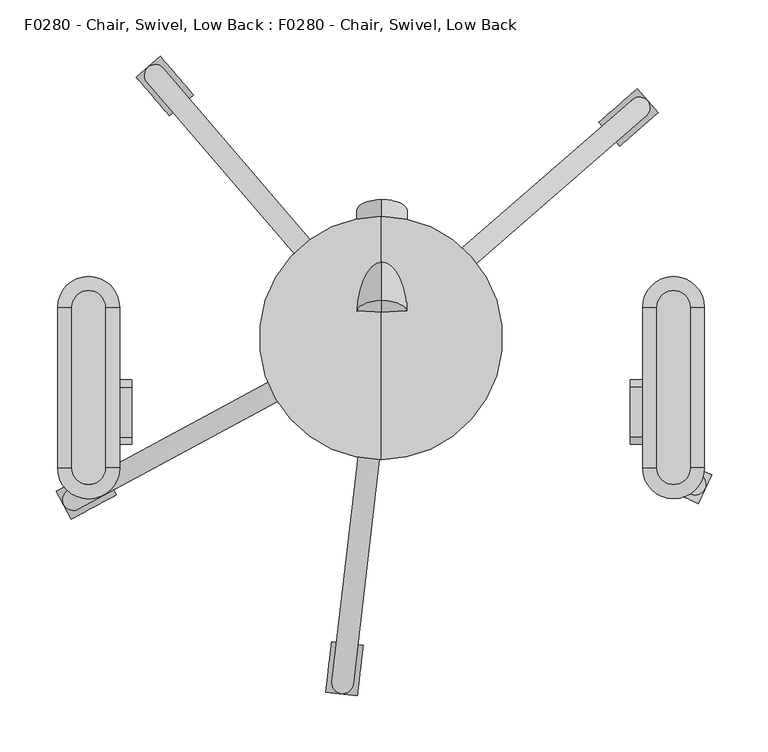
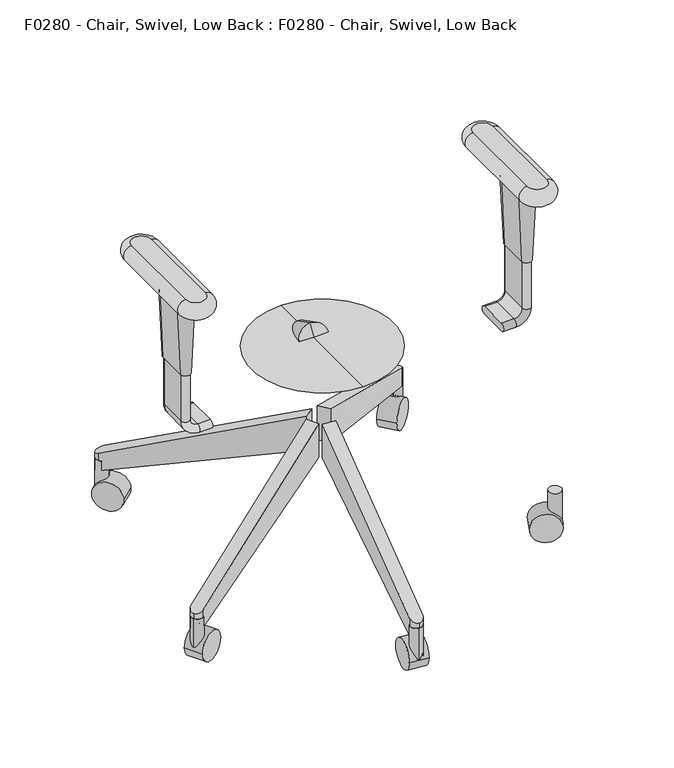
"""IFC4 building model written with IfcOpenShell, lengths in millimetres: proxy geometry, F0280 - Chair, Swivel, Low Back : F0280 - Chair, Swivel, Low Back."""

from ifc_helpers import new_model, si_unit, point, frame, frame_2d, origin, place, context, project, spatial, polyline, circle_curve, ellipse_curve, trimmed, segment, composite_curve, outline, extrude, source, transform, mapped, element, save
from ifc_brep_helpers import plane_surface, cylinder_surface, revolved_surface, advanced_brep


def f0280_chair_swivel_low_back_f0280_chair_swivel_low_back_22c7d8c1(model_context):
    return source(origin(), model_context, "Body", "SolidModel", [
        advanced_brep(
        [(-244.7915853, 27.2190125, 564.9459091), (-274.5248755, 27.2190125, 564.9459091), (-274.5248755, -115.231927, 564.9459091), (-244.7915853, -115.231927, 564.9459091), (-274.5248755, 27.2190125, 539.608165), (-244.7915853, 27.2190125, 539.608165), (-244.7915853, -115.231927, 539.608165), (-274.5248755, -115.231927, 539.608165)],
        [
            (0, 1, circle_curve(frame((-259.6582304, 27.2190125, 564.9459091), z_axis=(0.0, 0.0, 1.0), x_axis=(1.0, 0.0, 0.0)), 14.8666451)),
            (1, 2),
            (2, 3, circle_curve(frame((-259.6582304, -115.231927, 564.9459091), z_axis=(0.0, 0.0, 1.0), x_axis=(-1.0, 0.0, 0.0)), 14.8666451)),
            (3, 0),
            (4, 5, circle_curve(frame((-259.6582304, 27.2190125, 539.608165), z_axis=(0.0, 0.0, -1.0), x_axis=(1.0, 0.0, 0.0)), 14.8666451)),
            (5, 6),
            (6, 7, circle_curve(frame((-259.6582304, -115.231927, 539.608165), z_axis=(0.0, 0.0, -1.0), x_axis=(-1.0, 0.0, 0.0)), 14.8666451)),
            (7, 4),
            (4, 1, circle_curve(frame((-274.5248755, 27.2190125, 552.277037), z_axis=(0.0, 1.0, 0.0), x_axis=(1.0, 0.0, 0.0)), 12.668872)),
            (0, 5, circle_curve(frame((-244.7915853, 27.2190125, 552.277037), z_axis=(0.0, 1.0, 0.0), x_axis=(-1.0, 0.0, 0.0)), 12.668872)),
            (7, 2, circle_curve(frame((-274.5248755, -115.231927, 552.277037), z_axis=(0.0, 1.0, 0.0), x_axis=(1.0, 0.0, 0.0)), 12.668872)),
            (6, 3, circle_curve(frame((-244.7915853, -115.231927, 552.277037), z_axis=(0.0, -1.0, 0.0), x_axis=(-1.0, 0.0, 0.0)), 12.668872)),
        ],
        [
            plane_surface(frame((-232.0214447, 27.2190125, 564.9459091), z_axis=(0.0, 0.0, 1.0), x_axis=(0.0, 1.0, 0.0))),
            plane_surface(frame((-232.0214447, 27.2190125, 539.608165), z_axis=(0.0, 0.0, -1.0), x_axis=(0.0, -1.0, 0.0))),
            revolved_surface(trimmed(ellipse_curve(frame((-244.7915853, 27.2190125, 552.277037), z_axis=(0.0, -1.0, 0.0), x_axis=(-1.0, 0.0, 0.0)), 12.668872, 12.668872), [point((-244.7915853, 27.2190125, 539.608165))], [point((-244.7915853, 27.2190125, 564.9459091))], True, "CARTESIAN"), (-259.6582304, 27.2190125, 564.9459091), (0.0, 0.0, 1.0)),
            cylinder_surface(frame((-274.5248755, 27.2190125, 552.277037), z_axis=(0.0, -1.0, 0.0), x_axis=(1.0, 0.0, 0.0)), 12.668872),
            revolved_surface(trimmed(ellipse_curve(frame((-274.5248755, -115.231927, 552.277037), z_axis=(0.0, 1.0, 0.0), x_axis=(1.0, 0.0, 0.0)), 12.668872, 12.668872), [point((-274.5248755, -115.231927, 539.608165))], [point((-274.5248755, -115.231927, 564.9459091))], True, "CARTESIAN"), (-259.6582304, -115.231927, 564.9459091), (0.0, 0.0, 1.0)),
            cylinder_surface(frame((-244.7915853, -115.231927, 552.277037), z_axis=(0.0, 1.0, 0.0), x_axis=(-1.0, 0.0, 0.0)), 12.668872),
        ],
        [
            (0, [[1, 2, 3, 4]]),
            (1, [[5, 6, 7, 8]]),
            (2, [[9, -1, 10, -5]]),
            (3, [[-9, -8, 11, -2]]),
            (4, [[-11, -7, 12, -3]]),
            (5, [[-10, -4, -12, -6]]),
        ],
    ),
        advanced_brep(
        [(-272.2112726, -43.5550281, 539.608165), (-272.2112726, -88.0050281, 539.608165), (-246.8112726, -88.0050281, 539.608165), (-246.8112726, -43.5550281, 539.608165), (-267.4487726, -43.5550281, 425.6440254), (-251.5737726, -43.5550281, 425.6440254), (-251.5737726, -88.0050281, 425.6440254), (-267.4487726, -88.0050281, 425.6440254)],
        [
            (0, 1),
            (1, 2, circle_curve(frame((-259.5112726, -88.0050281, 539.608165), z_axis=(0.0, 0.0, 1.0), x_axis=(-1.0, 0.0, 0.0)), 12.7)),
            (2, 3),
            (3, 0, circle_curve(frame((-259.5112726, -43.5550281, 539.608165), z_axis=(0.0, 0.0, 1.0), x_axis=(1.0, 0.0, 0.0)), 12.7)),
            (4, 5, circle_curve(frame((-259.5112726, -43.5550281, 425.6440254), z_axis=(0.0, 0.0, -1.0), x_axis=(1.0, 0.0, 0.0)), 7.9375)),
            (5, 6),
            (6, 7, circle_curve(frame((-259.5112726, -88.0050281, 425.6440254), z_axis=(0.0, 0.0, -1.0), x_axis=(-1.0, 0.0, 0.0)), 7.9375)),
            (7, 4),
            (0, 4),
            (7, 1),
            (6, 2),
            (5, 3),
        ],
        [
            plane_surface(frame((-259.5112726, -65.7800281, 539.608165), z_axis=(0.0, 0.0, 1.0), x_axis=(0.0, -1.0, 0.0))),
            plane_surface(frame((-259.5112726, -65.7800281, 425.6440254), z_axis=(0.0, 0.0, -1.0), x_axis=(0.0, -1.0, 0.0))),
            plane_surface(frame((-267.4487726, -65.7800281, 425.6440254), z_axis=(-0.9991279624642644, 0.0, -0.04175301931606388), x_axis=(0.0, -1.0, 0.0))),
            revolved_surface(polyline([(-251.57377260104474, -88.0050281, 425.6440254), (-246.8112726, -88.0050281, 539.608165)]), (-259.5112726, -88.0050281, 235.7037928), (0.0, 0.0, 1.0)),
            plane_surface(frame((-251.5737726, -65.7800281, 425.6440254), z_axis=(0.9991279624642645, 0.0, -0.04175301931606151), x_axis=(0.0, 1.0, 0.0))),
            revolved_surface(polyline([(-267.44877259895526, -43.5550281, 425.6440254), (-272.2112726, -43.5550281, 539.608165)]), (-259.5112726, -43.5550281, 235.7037928), (0.0, 0.0, 1.0)),
        ],
        [
            (0, [[1, 2, 3, 4]]),
            (1, [[5, 6, 7, 8]]),
            (2, [[-1, 9, -8, 10]]),
            (3, [[-2, -10, -7, 11]]),
            (4, [[-3, -11, -6, 12]]),
            (5, [[-4, -12, -5, -9]]),
        ],
    ),
        advanced_brep(
        [(-221.4112726, -43.5550281, 324.0440254), (-221.4112726, -43.5550281, 336.7440254), (-221.4112726, -88.0050281, 336.7440254), (-221.4112726, -88.0050281, 324.0440254), (-240.4612726, -43.5550281, 324.0440254), (-240.4612726, -43.5550281, 336.7440254), (-240.4612726, -88.0050281, 336.7440254), (-240.4612726, -88.0050281, 324.0440254), (-253.1612726, -43.5550281, 349.4440254), (-265.8612726, -43.5550281, 349.4440254), (-253.1612726, -88.0050281, 349.4440254), (-265.8612726, -88.0050281, 349.4440254), (-265.8612726, -43.5550281, 425.6440254), (-265.8612726, -88.0050281, 425.6440254), (-253.1612726, -88.0050281, 425.6440254), (-253.1612726, -43.5550281, 425.6440254)],
        [
            (0, 1, circle_curve(frame((-221.4112726, -43.5550281, 330.3940254), z_axis=(1.0, 0.0, 0.0), x_axis=(0.0, 1.0, 0.0)), 6.35)),
            (1, 2),
            (2, 3, circle_curve(frame((-221.4112726, -88.0050281, 330.3940254), z_axis=(1.0, 0.0, 0.0), x_axis=(0.0, 1.0, 0.0)), 6.35)),
            (3, 0),
            (0, 4),
            (4, 5, circle_curve(frame((-240.4612726, -43.5550281, 330.3940254), z_axis=(1.0, 0.0, 0.0), x_axis=(0.0, 1.0, 0.0)), 6.35)),
            (5, 1),
            (5, 6),
            (6, 2),
            (6, 7, circle_curve(frame((-240.4612726, -88.0050281, 330.3940254), z_axis=(1.0, 0.0, 0.0), x_axis=(0.0, 1.0, 0.0)), 6.35)),
            (7, 3),
            (7, 4),
            (8, 5, circle_curve(frame((-240.4612726, -43.5550281, 349.4440254), z_axis=(0.0, -1.0, 0.0), x_axis=(0.0, 0.0, -1.0)), 12.7)),
            (4, 9, circle_curve(frame((-240.4612726, -43.5550281, 349.4440254), z_axis=(0.0, 1.0, 0.0), x_axis=(0.0, 0.0, -1.0)), 25.4)),
            (9, 8, circle_curve(frame((-259.5112726, -43.5550281, 349.4440254), z_axis=(0.0, 0.0, -1.0), x_axis=(0.0, 1.0, 0.0)), 6.35)),
            (10, 6, circle_curve(frame((-240.4612726, -88.0050281, 349.4440254), z_axis=(0.0, -1.0, 0.0), x_axis=(0.0, 0.0, -1.0)), 12.7)),
            (8, 10),
            (11, 7, circle_curve(frame((-240.4612726, -88.0050281, 349.4440254), z_axis=(0.0, -1.0, 0.0), x_axis=(0.0, 0.0, -1.0)), 25.4)),
            (10, 11, circle_curve(frame((-259.5112726, -88.0050281, 349.4440254), z_axis=(0.0, 0.0, -1.0), x_axis=(0.0, 1.0, 0.0)), 6.35)),
            (11, 9),
            (12, 13),
            (13, 14, circle_curve(frame((-259.5112726, -88.0050281, 425.6440254), z_axis=(0.0, 0.0, 1.0), x_axis=(0.0, 1.0, 0.0)), 6.35)),
            (14, 15),
            (15, 12, circle_curve(frame((-259.5112726, -43.5550281, 425.6440254), z_axis=(0.0, 0.0, 1.0), x_axis=(0.0, 1.0, 0.0)), 6.35)),
            (9, 12),
            (15, 8),
            (14, 10),
            (13, 11),
        ],
        [
            plane_surface(frame((-221.4112726, -69.85, 324.0440254), z_axis=(1.0, 0.0, 0.0), x_axis=(0.0, 1.0, 0.0))),
            cylinder_surface(frame((-221.4112726, -43.5550281, 330.3940254), z_axis=(1.0, 0.0, 0.0), x_axis=(0.0, 1.0, 0.0)), 6.35),
            plane_surface(frame((-221.4112726, -43.5550281, 336.7440254), z_axis=(0.0, 0.0, 1.0), x_axis=(-1.0, 0.0, 0.0))),
            cylinder_surface(frame((-221.4112726, -88.0050281, 330.3940254), z_axis=(1.0, 0.0, 0.0), x_axis=(0.0, 1.0, 0.0)), 6.35),
            plane_surface(frame((-221.4112726, -88.0050281, 324.0440254), z_axis=(0.0, 0.0, -1.0), x_axis=(-1.0, 0.0, 0.0))),
            revolved_surface(trimmed(ellipse_curve(frame((-240.4612726, -43.5550281, 330.3940254), z_axis=(1.0, 0.0, 0.0), x_axis=(0.0, 1.0, 0.0)), 6.35, 6.35), [point((-240.4612726, -43.5550281, 324.0440254))], [point((-240.4612726, -43.5550281, 336.7440254))], True, "CARTESIAN"), (-240.4612726, -69.85, 349.4440254), (0.0, 1.0, 0.0)),
            revolved_surface(polyline([(-240.4612726, -43.5550281, 336.7440254), (-240.4612726, -88.0050281, 336.7440254)]), (-240.4612726, -69.85, 349.4440254), (0.0, 1.0, 0.0)),
            revolved_surface(trimmed(ellipse_curve(frame((-240.4612726, -88.0050281, 330.3940254), z_axis=(1.0, 0.0, 0.0), x_axis=(0.0, 1.0, 0.0)), 6.35, 6.35), [point((-240.4612726, -88.0050281, 336.7440254))], [point((-240.4612726, -88.0050281, 324.0440254))], True, "CARTESIAN"), (-240.4612726, -69.85, 349.4440254), (0.0, 1.0, 0.0)),
            cylinder_surface(frame((-240.4612726, -69.85, 349.4440254), z_axis=(0.0, 1.0, 0.0), x_axis=(0.0, 0.0, -1.0)), 25.4),
            plane_surface(frame((-265.8612726, -69.85, 425.6440254), z_axis=(0.0, 0.0, 1.0), x_axis=(0.0, 1.0, 0.0))),
            cylinder_surface(frame((-259.5112726, -43.5550281, 349.4440254), z_axis=(0.0, 0.0, -1.0), x_axis=(0.0, 1.0, 0.0)), 6.35),
            plane_surface(frame((-253.1612726, -43.5550281, 349.4440254), z_axis=(1.0, 0.0, 0.0), x_axis=(0.0, 0.0, 1.0))),
            cylinder_surface(frame((-259.5112726, -88.0050281, 349.4440254), z_axis=(0.0, 0.0, -1.0), x_axis=(0.0, 1.0, 0.0)), 6.35),
            plane_surface(frame((-265.8612726, -88.0050281, 349.4440254), z_axis=(-1.0, 0.0, 0.0), x_axis=(0.0, 0.0, 1.0))),
        ],
        [
            (0, [[1, 2, 3, 4]]),
            (1, [[-1, 5, 6, 7]]),
            (2, [[-2, -7, 8, 9]]),
            (3, [[-3, -9, 10, 11]]),
            (4, [[-4, -11, 12, -5]]),
            (5, [[13, -6, 14, 15]]),
            (6, [[16, -8, -13, 17]]),
            (7, [[18, -10, -16, 19]]),
            (8, [[-14, -12, -18, 20]]),
            (9, [[21, 22, 23, 24]]),
            (10, [[-15, 25, -24, 26]]),
            (11, [[-17, -26, -23, 27]]),
            (12, [[-19, -27, -22, 28]]),
            (13, [[-20, -28, -21, -25]]),
        ],
    ),
        advanced_brep(
        [(274.4746752, 27.2190125, 564.9459091), (244.8417856, 27.2190125, 564.9459091), (244.8417856, -115.231927, 564.9459091), (274.4746752, -115.231927, 564.9459091), (244.8417856, 27.2190125, 539.608165), (274.4746752, 27.2190125, 539.608165), (274.4746752, -115.231927, 539.608165), (244.8417856, -115.231927, 539.608165)],
        [
            (0, 1, circle_curve(frame((259.6582304, 27.2190125, 564.9459091), z_axis=(0.0, 0.0, 1.0), x_axis=(1.0, 0.0, 0.0)), 14.8164448)),
            (1, 2),
            (2, 3, circle_curve(frame((259.6582304, -115.231927, 564.9459091), z_axis=(0.0, 0.0, 1.0), x_axis=(-1.0, 0.0, 0.0)), 14.8164448)),
            (3, 0),
            (4, 5, circle_curve(frame((259.6582304, 27.2190125, 539.608165), z_axis=(0.0, 0.0, -1.0), x_axis=(1.0, 0.0, 0.0)), 14.8164448)),
            (5, 6),
            (6, 7, circle_curve(frame((259.6582304, -115.231927, 539.608165), z_axis=(0.0, 0.0, -1.0), x_axis=(-1.0, 0.0, 0.0)), 14.8164448)),
            (7, 4),
            (4, 1, circle_curve(frame((244.8417856, 27.2190125, 552.277037), z_axis=(0.0, 1.0, 0.0), x_axis=(1.0, 0.0, 0.0)), 12.668872)),
            (0, 5, circle_curve(frame((274.4746752, 27.2190125, 552.277037), z_axis=(0.0, 1.0, 0.0), x_axis=(-1.0, 0.0, 0.0)), 12.668872)),
            (7, 2, circle_curve(frame((244.8417856, -115.231927, 552.277037), z_axis=(0.0, 1.0, 0.0), x_axis=(1.0, 0.0, 0.0)), 12.668872)),
            (6, 3, circle_curve(frame((274.4746752, -115.231927, 552.277037), z_axis=(0.0, -1.0, 0.0), x_axis=(-1.0, 0.0, 0.0)), 12.668872)),
        ],
        [
            plane_surface(frame((232.0214447, 21.1606364, 564.9459091), z_axis=(0.0, 0.0, 1.0), x_axis=(0.0, -1.0, 0.0))),
            plane_surface(frame((232.0214447, 21.1606364, 539.608165), z_axis=(0.0, 0.0, -1.0), x_axis=(0.0, 1.0, 0.0))),
            revolved_surface(trimmed(ellipse_curve(frame((274.4746752, 27.2190125, 552.277037), z_axis=(0.0, -1.0, 0.0), x_axis=(-1.0, 0.0, 0.0)), 12.668872, 12.668872), [point((274.4746752, 27.2190125, 539.608165))], [point((274.4746752, 27.2190125, 564.9459091))], True, "CARTESIAN"), (259.6582304, 27.2190125, 564.9459091), (0.0, 0.0, 1.0)),
            cylinder_surface(frame((244.8417856, 27.2190125, 552.277037), z_axis=(0.0, -1.0, 0.0), x_axis=(1.0, 0.0, 0.0)), 12.668872),
            revolved_surface(trimmed(ellipse_curve(frame((244.8417856, -115.231927, 552.277037), z_axis=(0.0, 1.0, 0.0), x_axis=(1.0, 0.0, 0.0)), 12.668872, 12.668872), [point((244.8417856, -115.231927, 539.608165))], [point((244.8417856, -115.231927, 564.9459091))], True, "CARTESIAN"), (259.6582304, -115.231927, 564.9459091), (0.0, 0.0, 1.0)),
            cylinder_surface(frame((274.4746752, -115.231927, 552.277037), z_axis=(0.0, 1.0, 0.0), x_axis=(-1.0, 0.0, 0.0)), 12.668872),
        ],
        [
            (0, [[1, 2, 3, 4]]),
            (1, [[5, 6, 7, 8]]),
            (2, [[9, -1, 10, -5]]),
            (3, [[-9, -8, 11, -2]]),
            (4, [[-11, -7, 12, -3]]),
            (5, [[-10, -4, -12, -6]]),
        ],
    ),
        advanced_brep(
        [(272.2112726, -43.5550281, 539.608165), (246.8112726, -43.5550281, 539.608165), (246.8112726, -88.0050281, 539.608165), (272.2112726, -88.0050281, 539.608165), (267.4487726, -43.5550281, 425.6440254), (267.4487726, -88.0050281, 425.6440254), (251.5737726, -88.0050281, 425.6440254), (251.5737726, -43.5550281, 425.6440254)],
        [
            (0, 1, circle_curve(frame((259.5112726, -43.5550281, 539.608165), z_axis=(0.0, 0.0, 1.0), x_axis=(1.0, 0.0, 0.0)), 12.7)),
            (1, 2),
            (2, 3, circle_curve(frame((259.5112726, -88.0050281, 539.608165), z_axis=(0.0, 0.0, 1.0), x_axis=(-1.0, 0.0, 0.0)), 12.7)),
            (3, 0),
            (4, 5),
            (5, 6, circle_curve(frame((259.5112726, -88.0050281, 425.6440254), z_axis=(0.0, 0.0, -1.0), x_axis=(-1.0, 0.0, 0.0)), 7.9375)),
            (6, 7),
            (7, 4, circle_curve(frame((259.5112726, -43.5550281, 425.6440254), z_axis=(0.0, 0.0, -1.0), x_axis=(1.0, 0.0, 0.0)), 7.9375)),
            (0, 4),
            (7, 1),
            (6, 2),
            (5, 3),
        ],
        [
            plane_surface(frame((259.5112726, -65.7800281, 539.608165), z_axis=(0.0, 0.0, 1.0), x_axis=(0.0, 1.0, 0.0))),
            plane_surface(frame((259.5112726, -65.7800281, 425.6440254), z_axis=(0.0, 0.0, -1.0), x_axis=(0.0, 1.0, 0.0))),
            revolved_surface(polyline([(251.57377260104474, -43.5550281, 425.6440254), (246.8112726, -43.5550281, 539.608165)]), (259.5112726, -43.5550281, 235.7037928), (0.0, 0.0, 1.0)),
            plane_surface(frame((251.5737726, -65.7800281, 425.6440254), z_axis=(-0.9991279624642644, 0.0, -0.04175301931606269), x_axis=(0.0, -1.0, 0.0))),
            revolved_surface(polyline([(267.44877259895526, -88.0050281, 425.6440254), (272.2112726, -88.0050281, 539.608165)]), (259.5112726, -88.0050281, 235.7037928), (0.0, 0.0, 1.0)),
            plane_surface(frame((267.4487726, -65.7800281, 425.6440254), z_axis=(0.9991279624642644, 0.0, -0.04175301931606269), x_axis=(0.0, 1.0, 0.0))),
        ],
        [
            (0, [[1, 2, 3, 4]]),
            (1, [[5, 6, 7, 8]]),
            (2, [[-1, 9, -8, 10]]),
            (3, [[-2, -10, -7, 11]]),
            (4, [[-3, -11, -6, 12]]),
            (5, [[-4, -12, -5, -9]]),
        ],
    ),
        advanced_brep(
        [(221.4112726, -43.5550281, 324.0440254), (221.4112726, -88.0050281, 324.0440254), (221.4112726, -88.0050281, 336.7440254), (221.4112726, -43.5550281, 336.7440254), (240.4612726, -43.5550281, 324.0440254), (240.4612726, -88.0050281, 324.0440254), (240.4612726, -88.0050281, 336.7440254), (240.4612726, -43.5550281, 336.7440254), (265.8612726, -88.0050281, 349.4440254), (265.8612726, -43.5550281, 349.4440254), (253.1612726, -88.0050281, 349.4440254), (253.1612726, -43.5550281, 349.4440254), (265.8612726, -43.5550281, 425.6440254), (253.1612726, -43.5550281, 425.6440254), (253.1612726, -88.0050281, 425.6440254), (265.8612726, -88.0050281, 425.6440254)],
        [
            (0, 1),
            (1, 2, circle_curve(frame((221.4112726, -88.0050281, 330.3940254), z_axis=(-1.0, 0.0, 0.0), x_axis=(0.0, 1.0, 0.0)), 6.35)),
            (2, 3),
            (3, 0, circle_curve(frame((221.4112726, -43.5550281, 330.3940254), z_axis=(-1.0, 0.0, 0.0), x_axis=(0.0, 1.0, 0.0)), 6.35)),
            (0, 4),
            (4, 5),
            (5, 1),
            (5, 6, circle_curve(frame((240.4612726, -88.0050281, 330.3940254), z_axis=(-1.0, 0.0, 0.0), x_axis=(0.0, 1.0, 0.0)), 6.35)),
            (6, 2),
            (6, 7),
            (7, 3),
            (7, 4, circle_curve(frame((240.4612726, -43.5550281, 330.3940254), z_axis=(-1.0, 0.0, 0.0), x_axis=(0.0, 1.0, 0.0)), 6.35)),
            (8, 5, circle_curve(frame((240.4612726, -88.0050281, 349.4440254), z_axis=(0.0, 1.0, 0.0), x_axis=(0.0, 0.0, -1.0)), 25.4)),
            (4, 9, circle_curve(frame((240.4612726, -43.5550281, 349.4440254), z_axis=(0.0, -1.0, 0.0), x_axis=(0.0, 0.0, -1.0)), 25.4)),
            (9, 8),
            (10, 6, circle_curve(frame((240.4612726, -88.0050281, 349.4440254), z_axis=(0.0, 1.0, 0.0), x_axis=(0.0, 0.0, -1.0)), 12.7)),
            (8, 10, circle_curve(frame((259.5112726, -88.0050281, 349.4440254), z_axis=(0.0, 0.0, -1.0), x_axis=(0.0, 1.0, 0.0)), 6.35)),
            (11, 7, circle_curve(frame((240.4612726, -43.5550281, 349.4440254), z_axis=(0.0, 1.0, 0.0), x_axis=(0.0, 0.0, -1.0)), 12.7)),
            (10, 11),
            (11, 9, circle_curve(frame((259.5112726, -43.5550281, 349.4440254), z_axis=(0.0, 0.0, -1.0), x_axis=(0.0, 1.0, 0.0)), 6.35)),
            (12, 13, circle_curve(frame((259.5112726, -43.5550281, 425.6440254), z_axis=(0.0, 0.0, 1.0), x_axis=(0.0, 1.0, 0.0)), 6.35)),
            (13, 14),
            (14, 15, circle_curve(frame((259.5112726, -88.0050281, 425.6440254), z_axis=(0.0, 0.0, 1.0), x_axis=(0.0, 1.0, 0.0)), 6.35)),
            (15, 12),
            (9, 12),
            (15, 8),
            (14, 10),
            (13, 11),
        ],
        [
            plane_surface(frame((221.4112726, -69.85, 324.0440254), z_axis=(-1.0, 0.0, 0.0), x_axis=(0.0, 1.0, 0.0))),
            plane_surface(frame((221.4112726, -43.5550281, 324.0440254), z_axis=(0.0, 0.0, -1.0), x_axis=(1.0, 0.0, 0.0))),
            cylinder_surface(frame((221.4112726, -88.0050281, 330.3940254), z_axis=(-1.0, 0.0, 0.0), x_axis=(0.0, 1.0, 0.0)), 6.35),
            plane_surface(frame((221.4112726, -88.0050281, 336.7440254), z_axis=(0.0, 0.0, 1.0), x_axis=(1.0, 0.0, 0.0))),
            cylinder_surface(frame((221.4112726, -43.5550281, 330.3940254), z_axis=(-1.0, 0.0, 0.0), x_axis=(0.0, 1.0, 0.0)), 6.35),
            cylinder_surface(frame((240.4612726, -69.85, 349.4440254), z_axis=(0.0, -1.0, 0.0), x_axis=(0.0, 0.0, -1.0)), 25.4),
            revolved_surface(trimmed(ellipse_curve(frame((240.4612726, -88.0050281, 330.3940254), z_axis=(-1.0, 0.0, 0.0), x_axis=(0.0, 1.0, 0.0)), 6.35, 6.35), [point((240.4612726, -88.0050281, 324.0440254))], [point((240.4612726, -88.0050281, 336.7440254))], True, "CARTESIAN"), (240.4612726, -69.85, 349.4440254), (0.0, -1.0, 0.0)),
            revolved_surface(polyline([(240.4612726, -88.0050281, 336.7440254), (240.4612726, -43.5550281, 336.7440254)]), (240.4612726, -69.85, 349.4440254), (0.0, -1.0, 0.0)),
            revolved_surface(trimmed(ellipse_curve(frame((240.4612726, -43.5550281, 330.3940254), z_axis=(-1.0, 0.0, 0.0), x_axis=(0.0, 1.0, 0.0)), 6.35, 6.35), [point((240.4612726, -43.5550281, 336.7440254))], [point((240.4612726, -43.5550281, 324.0440254))], True, "CARTESIAN"), (240.4612726, -69.85, 349.4440254), (0.0, -1.0, 0.0)),
            plane_surface(frame((265.8612726, -69.85, 425.6440254), z_axis=(0.0, 0.0, 1.0), x_axis=(0.0, 1.0, 0.0))),
            plane_surface(frame((265.8612726, -43.5550281, 349.4440254), z_axis=(1.0, 0.0, 0.0), x_axis=(0.0, 0.0, 1.0))),
            cylinder_surface(frame((259.5112726, -88.0050281, 349.4440254), z_axis=(0.0, 0.0, -1.0), x_axis=(0.0, 1.0, 0.0)), 6.35),
            plane_surface(frame((253.1612726, -88.0050281, 349.4440254), z_axis=(-1.0, 0.0, 0.0), x_axis=(0.0, 0.0, 1.0))),
            cylinder_surface(frame((259.5112726, -43.5550281, 349.4440254), z_axis=(0.0, 0.0, -1.0), x_axis=(0.0, 1.0, 0.0)), 6.35),
        ],
        [
            (0, [[1, 2, 3, 4]]),
            (1, [[-1, 5, 6, 7]]),
            (2, [[-2, -7, 8, 9]]),
            (3, [[-3, -9, 10, 11]]),
            (4, [[-4, -11, 12, -5]]),
            (5, [[13, -6, 14, 15]]),
            (6, [[16, -8, -13, 17]]),
            (7, [[18, -10, -16, 19]]),
            (8, [[-14, -12, -18, 20]]),
            (9, [[21, 22, 23, 24]]),
            (10, [[-15, 25, -24, 26]]),
            (11, [[-17, -26, -23, 27]]),
            (12, [[-19, -27, -22, 28]]),
            (13, [[-20, -28, -21, -25]]),
        ],
    ),
        advanced_brep(
        [(0.7579549, 12.6773619, 300.8203454), (0.7579549, 33.1714503, 341.0422587), (0.7579549, 21.8704355, 321.4683269), (0.7579549, 102.4414689, 255.0832484), (0.7579549, 122.9355573, 295.3051617), (0.7579549, 118.1865878, 272.3927961)],
        [
            (0, 1, circle_curve(frame((0.7579549, 22.9244061, 320.931302), z_axis=(0.0, -0.8910065241883681, 0.45399049973954636), x_axis=(0.0, 0.45399049973954636, 0.8910065241883681)), 22.5710543)),
            (1, 2),
            (2, 0),
            (1, 0, circle_curve(frame((0.7579549, 22.9244061, 320.931302), z_axis=(0.0, -0.8910065241883681, 0.45399049973954636), x_axis=(0.0, 0.45399049973954636, 0.8910065241883681)), 22.5710543)),
            (3, 4, circle_curve(frame((0.7579549, 112.6885131, 275.1942051), z_axis=(0.0, -0.8910065241883681, 0.45399049973954636), x_axis=(0.0, 0.45399049973954636, 0.8910065241883681)), 22.5710543)),
            (4, 1),
            (0, 3),
            (4, 3, circle_curve(frame((0.7579549, 112.6885131, 275.1942051), z_axis=(0.0, -0.8910065241883681, 0.45399049973954636), x_axis=(0.0, 0.45399049973954636, 0.8910065241883681)), 22.5710543)),
            (5, 4, circle_curve(frame((0.7579549, 78.6564404, 292.5344122), z_axis=(1.0, 0.0, 0.0), x_axis=(0.0, 1.0, 0.0)), 44.3657216)),
            (3, 5, circle_curve(frame((0.7579549, 78.6564404, 292.5344122), z_axis=(1.0, 0.0, 0.0), x_axis=(0.0, 0.587785252292474, -0.8090169943749469)), 44.3657216)),
        ],
        [
            revolved_surface(polyline([(0.7579549, 21.8704355, 321.4683269), (0.7579549, 33.1714503, 341.0422587)]), (0.7579549, 51.7360219, 306.2510506), (0.0, 0.8910065241883681, -0.45399049973954636)),
            cylinder_surface(frame((0.7579549, 51.7360219, 306.2510506), z_axis=(0.0, 0.8910065241883681, -0.45399049973954636), x_axis=(0.0, 0.45399049973954636, 0.8910065241883681)), 22.5710543),
            revolved_surface(trimmed(ellipse_curve(frame((0.7579549, 78.6564404, 292.5344122), z_axis=(-1.0, 0.0, 0.0), x_axis=(0.0, 1.0, 0.0)), 44.3657216, 44.3657216), [point((0.7579549, 122.9355573, 295.3051617))], [point((0.7579549, 118.1865878, 272.3927961))], True, "CARTESIAN"), (0.7579549, 51.7360219, 306.2510506), (0.0, 0.8910065241883681, -0.45399049973954636)),
        ],
        [
            (0, [[1, 2, 3]]),
            (0, [[4, -3, -2]]),
            (1, [[5, 6, -1, 7]]),
            (1, [[8, -7, -4, -6]]),
            (2, [[9, -5, 10]]),
            (2, [[-10, -8, -9]]),
        ],
    ),
        advanced_brep(
        [(0.0, 0.0, 324.0440254), (0.0, -107.95, 324.0440254), (0.0, 107.95, 324.0440254), (0.0, 12.7, 278.9664474), (0.0, -12.7, 278.9664474), (0.0, 0.0, 278.9664474)],
        [
            (0, 1),
            (1, 2, circle_curve(frame((0.0, 0.0, 324.0440254), z_axis=(0.0, 0.0, 1.0), x_axis=(0.0, -1.0, 0.0)), 107.95)),
            (2, 0),
            (2, 1, circle_curve(frame((0.0, 0.0, 324.0440254), z_axis=(0.0, 0.0, 1.0), x_axis=(0.0, -1.0, 0.0)), 107.95)),
            (3, 4, circle_curve(frame((0.0, 0.0, 278.9664474), z_axis=(0.0, 0.0, -1.0), x_axis=(0.0, -1.0, 0.0)), 12.7)),
            (4, 5),
            (5, 3),
            (4, 3, circle_curve(frame((0.0, 0.0, 278.9664474), z_axis=(0.0, 0.0, -1.0), x_axis=(0.0, -1.0, 0.0)), 12.7)),
            (1, 4),
            (3, 2),
        ],
        [
            plane_surface(frame((0.0, 0.0, 324.0440254), z_axis=(0.0, 0.0, 1.0), x_axis=(0.0, -1.0, 0.0))),
            plane_surface(frame((0.0, 0.0, 278.9664474), z_axis=(0.0, 0.0, -1.0), x_axis=(0.0, -1.0, 0.0))),
            revolved_surface(polyline([(0.0, -12.7, 278.9664474), (0.0, -107.95, 324.0440254)]), (0.0, 0.0, 278.9664474), (0.0, 0.0, 1.0)),
        ],
        [
            (0, [[1, 2, 3]]),
            (0, [[-3, 4, -1]]),
            (1, [[5, 6, 7]]),
            (1, [[8, -7, -6]]),
            (2, [[-2, 9, -5, 10]]),
            (2, [[-4, -10, -8, -9]]),
        ],
    ),
        advanced_brep(
        [(-35.2798856, -315.6318237, 73.9191719), (-24.8402492, -307.735782, 73.9191719), (-33.0987126, -296.8169749, 73.9191719), (-43.6580109, -306.0440949, 73.9191719), (-35.2798856, -315.6318237, 24.010186), (-43.6580109, -306.0440949, 24.010186), (-33.0987126, -296.8169749, 24.010186), (-24.8402492, -307.735782, 24.010186)],
        [
            (0, 1, circle_curve(frame((-34.1892991, -306.2243993, 73.9191719), z_axis=(0.0, 0.0, 1.0), x_axis=(0.1151570430509366, 0.9933472984992534, 0.0)), 9.4704283)),
            (1, 2, circle_curve(frame((-34.1892991, -306.2243993, 73.9191719), z_axis=(0.0, 0.0, 1.0), x_axis=(0.1151570430509366, 0.9933472984992534, 0.0)), 9.4704283)),
            (2, 3, circle_curve(frame((-34.1892991, -306.2243993, 73.9191719), z_axis=(0.0, 0.0, 1.0), x_axis=(0.1151570430509366, 0.9933472984992534, 0.0)), 9.4704283)),
            (3, 0, circle_curve(frame((-34.1892991, -306.2243993, 73.9191719), z_axis=(0.0, 0.0, 1.0), x_axis=(0.1151570430509366, 0.9933472984992534, 0.0)), 9.4704283)),
            (4, 5, circle_curve(frame((-34.1892991, -306.2243993, 24.010186), z_axis=(0.0, 0.0, -1.0), x_axis=(0.1151570430509366, 0.9933472984992534, 0.0)), 9.4704283)),
            (5, 6, circle_curve(frame((-34.1892991, -306.2243993, 24.010186), z_axis=(0.0, 0.0, -1.0), x_axis=(0.1151570430509366, 0.9933472984992534, 0.0)), 9.4704283)),
            (6, 7, circle_curve(frame((-34.1892991, -306.2243993, 24.010186), z_axis=(0.0, 0.0, -1.0), x_axis=(0.1151570430509366, 0.9933472984992534, 0.0)), 9.4704283)),
            (7, 4, circle_curve(frame((-34.1892991, -306.2243993, 24.010186), z_axis=(0.0, 0.0, -1.0), x_axis=(0.1151570430509366, 0.9933472984992534, 0.0)), 9.4704283)),
            (0, 4),
            (6, 2),
        ],
        [
            plane_surface(frame((-33.0987126, -296.8169749, 73.9191719), z_axis=(0.0, 0.0, 1.0000000000000002), x_axis=(-0.9933472984992534, 0.1151570430509366, 0.0))),
            plane_surface(frame((-33.0987126, -296.8169749, 24.010186), z_axis=(0.0, 0.0, -1.0000000000000002), x_axis=(0.9933472984992534, -0.1151570430509366, 0.0))),
            cylinder_surface(frame((-34.1892991, -306.2243993, 24.010186), z_axis=(0.0, 0.0, 1.0000000000000002), x_axis=(0.1151570430509366, 0.9933472984992534, 0.0)), 9.4704283),
        ],
        [
            (0, [[1, 2, 3, 4]]),
            (1, [[5, 6, 7, 8]]),
            (2, [[9, -8, -7, 10, -2, -1]]),
            (2, [[-9, -4, -3, -10, -6, -5]]),
        ],
    ),
        advanced_brep(
        [(-10.2230636, -17.6334713, 158.3164474), (-10.2230636, -17.6334713, 212.7487443), (8.5386668, -19.8084865, 212.7487443), (8.5386668, -19.8084865, 158.3164474), (-24.8402492, -307.735782, 57.8258095), (-35.2798856, -315.6318237, 54.689734), (-43.6580109, -306.0440949, 57.6571213), (-24.8402492, -307.735782, 86.2220806), (-43.6580109, -306.0440949, 86.0096871), (-35.2798856, -315.6318237, 82.2734822)],
        [
            (0, 1),
            (1, 2),
            (2, 3),
            (3, 0),
            (3, 4),
            (4, 5, ellipse_curve(frame((-34.1892991, -306.2243993, 57.9730562), z_axis=(0.03772137343102609, 0.3253854336709328, -0.9448287768380345), x_axis=(-0.1088036881301013, -0.9385431130164155, -0.3275646233321655)), 10.0234334, 9.4704283)),
            (5, 6, ellipse_curve(frame((-34.1892991, -306.2243993, 57.9730562), z_axis=(0.03772137343102609, 0.3253854336709328, -0.9448287768380345), x_axis=(-0.1088036881301013, -0.9385431130164155, -0.3275646233321655)), 10.0234334, 9.4704283)),
            (6, 0),
            (2, 7),
            (7, 4),
            (1, 8),
            (8, 9, ellipse_curve(frame((-34.1892991, -306.2243993, 86.4074773), z_axis=(-0.046069943732865715, -0.3974003928601444, 0.9164881276039825), x_axis=(-0.10554006276616408, -0.910391005662055, -0.400061885163966)), 10.333389, 9.4704283)),
            (9, 7, ellipse_curve(frame((-34.1892991, -306.2243993, 86.4074773), z_axis=(-0.046069943732865715, -0.3974003928601444, 0.9164881276039825), x_axis=(-0.10554006276616408, -0.910391005662055, -0.400061885163966)), 10.333389, 9.4704283)),
            (6, 8),
            (5, 9),
        ],
        [
            plane_surface(frame((-0.8421984, -18.7209789, 185.5325958), z_axis=(0.11515704305094802, 0.9933472984992521, 0.0), x_axis=(0.0, 0.0, 1.0))),
            plane_surface(frame((-0.8421984, -18.7209789, 158.3164474), z_axis=(0.03772137343102609, 0.3253854336709328, -0.9448287768380345), x_axis=(0.9933472984992534, -0.1151570430509366, 0.0))),
            plane_surface(frame((8.5386668, -19.8084865, 185.5325958), z_axis=(0.9933472984992534, -0.11515704305093587, 0.0), x_axis=(0.0, 0.0, 1.0))),
            plane_surface(frame((-0.8421984, -18.7209789, 212.7487443), z_axis=(-0.046069943732865715, -0.3974003928601444, 0.9164881276039825), x_axis=(-0.9933472984992534, 0.1151570430509366, 0.0))),
            plane_surface(frame((-10.2230636, -17.6334713, 185.5325958), z_axis=(-0.9933472984992533, 0.11515704305093748, 0.0), x_axis=(0.0, 0.0, -1.0))),
            cylinder_surface(frame((-34.1892991, -306.2243993, 0.0), z_axis=(0.0, 0.0, -1.0000000000000002), x_axis=(0.1151570430509366, 0.9933472984992534, 0.0)), 9.4704283),
        ],
        [
            (0, [[1, 2, 3, 4]]),
            (1, [[-4, 5, 6, 7, 8]]),
            (2, [[-3, 9, 10, -5]]),
            (3, [[-2, 11, 12, 13, -9]]),
            (4, [[-1, -8, 14, -11]]),
            (5, [[15, -12, -14, -7]]),
            (5, [[-15, -6, -10, -13]]),
        ],
    ),
        extrude(outline(composite_curve([segment(trimmed(circle_curve(frame_2d((0.0, -22.5683941)), 22.5683942), [point((0.0, -45.1367884))], [point((0.0, 0.0))], False, "CARTESIAN"), True, "CONTINUOUS"), segment(trimmed(circle_curve(frame_2d((0.0, -22.5683941)), 22.5683942), [point((0.0, 0.0))], [point((0.0, -45.1367884))], False, "CARTESIAN"), True, "CONTINUOUS")], self_intersect=False)), frame((-235.2623876, -139.2887519, 22.3266274), z_axis=(-0.475429476302697, 0.8797538366284875, 0.0), x_axis=(0.0, 0.0, 1.0)), (0.0, 0.0, 1.0), 28.170451),
        extrude(outline(composite_curve([segment(trimmed(circle_curve(frame_2d((0.0, -22.5683942)), 22.5683942), [point((0.0, -45.1367883))], [point((0.0, 0.0))], False, "CARTESIAN"), True, "CONTINUOUS"), segment(trimmed(circle_curve(frame_2d((0.0, -22.5683942)), 22.5683942), [point((0.0, 0.0))], [point((0.0, -45.1367883))], False, "CARTESIAN"), True, "CONTINUOUS")], self_intersect=False)), frame((-15.9266679, -272.6485115, 22.3266274), z_axis=(-0.9933472984992534, 0.1151570430509366, 0.0), x_axis=(0.0, 0.0, 1.0)), (0.0, 0.0, 1.0), 28.170451),
        advanced_brep(
        [(-281.5728053, -148.089739, 73.9191719), (-269.1168171, -152.1124051, 73.9191719), (-264.909514, -139.0846975, 73.9191719), (-278.5244929, -135.7274853, 73.9191719), (-281.5728053, -148.089739, 24.010186), (-278.5244929, -135.7274853, 24.010186), (-264.909514, -139.0846975, 24.010186), (-269.1168171, -152.1124051, 24.010186)],
        [
            (0, 1, circle_curve(frame((-273.2411596, -143.5872182, 73.9191719), z_axis=(0.0, 0.0, 1.0), x_axis=(0.8797538366284874, 0.475429476302697, 0.0)), 9.4704283)),
            (1, 2, circle_curve(frame((-273.2411596, -143.5872182, 73.9191719), z_axis=(0.0, 0.0, 1.0), x_axis=(0.8797538366284874, 0.475429476302697, 0.0)), 9.4704283)),
            (2, 3, circle_curve(frame((-273.2411596, -143.5872182, 73.9191719), z_axis=(0.0, 0.0, 1.0), x_axis=(0.8797538366284874, 0.475429476302697, 0.0)), 9.4704283)),
            (3, 0, circle_curve(frame((-273.2411596, -143.5872182, 73.9191719), z_axis=(0.0, 0.0, 1.0), x_axis=(0.8797538366284874, 0.475429476302697, 0.0)), 9.4704283)),
            (4, 5, circle_curve(frame((-273.2411596, -143.5872182, 24.010186), z_axis=(0.0, 0.0, -1.0), x_axis=(0.8797538366284874, 0.475429476302697, 0.0)), 9.4704283)),
            (5, 6, circle_curve(frame((-273.2411596, -143.5872182, 24.010186), z_axis=(0.0, 0.0, -1.0), x_axis=(0.8797538366284874, 0.475429476302697, 0.0)), 9.4704283)),
            (6, 7, circle_curve(frame((-273.2411596, -143.5872182, 24.010186), z_axis=(0.0, 0.0, -1.0), x_axis=(0.8797538366284874, 0.475429476302697, 0.0)), 9.4704283)),
            (7, 4, circle_curve(frame((-273.2411596, -143.5872182, 24.010186), z_axis=(0.0, 0.0, -1.0), x_axis=(0.8797538366284874, 0.475429476302697, 0.0)), 9.4704283)),
            (0, 4),
            (6, 2),
        ],
        [
            plane_surface(frame((-264.909514, -139.0846975, 73.9191719), z_axis=(0.0, 0.0, 1.0), x_axis=(-0.475429476302697, 0.8797538366284874, 0.0))),
            plane_surface(frame((-264.909514, -139.0846975, 24.010186), z_axis=(0.0, 0.0, -1.0), x_axis=(0.475429476302697, -0.8797538366284874, 0.0))),
            cylinder_surface(frame((-273.2411596, -143.5872182, 24.010186), z_axis=(0.0, 0.0, 1.0), x_axis=(0.8797538366284874, 0.475429476302697, 0.0)), 9.4704283),
        ],
        [
            (0, [[1, 2, 3, 4]]),
            (1, [[5, 6, 7, 8]]),
            (2, [[9, -8, -7, 10, -2, -1]]),
            (2, [[-9, -4, -3, -10, -6, -5]]),
        ],
    ),
        advanced_brep(
        [(-23.0948431, 2.3097469, 158.3164474), (-23.0948431, 2.3097469, 212.7487443), (-14.1152247, -14.3065003, 212.7487443), (-14.1152247, -14.3065003, 158.3164474), (-269.1168171, -152.1124051, 57.8258095), (-281.5728053, -148.089739, 54.689734), (-278.5244929, -135.7274853, 57.6571213), (-269.1168171, -152.1124051, 86.2220806), (-278.5244929, -135.7274853, 86.0096871), (-281.5728053, -148.089739, 82.2734822)],
        [
            (0, 1),
            (1, 2),
            (2, 3),
            (3, 0),
            (3, 4),
            (4, 5, ellipse_curve(frame((-273.2411596, -143.5872182, 57.9730562), z_axis=(0.28817623412023846, 0.15573387732610194, -0.9448287768380345), x_axis=(-0.8312167413802618, -0.44919945056782457, -0.32756462333216557)), 10.0234334, 9.4704283)),
            (5, 6, ellipse_curve(frame((-273.2411596, -143.5872182, 57.9730562), z_axis=(0.28817623412023846, 0.15573387732610194, -0.9448287768380345), x_axis=(-0.8312167413802618, -0.44919945056782457, -0.32756462333216557)), 10.0234334, 9.4704283)),
            (6, 0),
            (2, 7),
            (7, 4),
            (1, 8),
            (8, 9, ellipse_curve(frame((-273.2411596, -143.5872182, 86.4074773), z_axis=(-0.35195597836182463, -0.19020121255217418, 0.9164881276039823), x_axis=(-0.8062839464840623, -0.43572547054440075, -0.40006188516396635)), 10.333389, 9.4704283)),
            (9, 7, ellipse_curve(frame((-273.2411596, -143.5872182, 86.4074773), z_axis=(-0.35195597836182463, -0.19020121255217418, 0.9164881276039823), x_axis=(-0.8062839464840623, -0.43572547054440075, -0.40006188516396635)), 10.333389, 9.4704283)),
            (6, 8),
            (5, 9),
        ],
        [
            plane_surface(frame((-18.6050339, -5.9983767, 185.5325958), z_axis=(0.8797538366284872, 0.4754294763026976, 0.0), x_axis=(0.0, 0.0, 1.0))),
            plane_surface(frame((-18.6050339, -5.9983767, 158.3164474), z_axis=(0.28817623412023846, 0.15573387732610194, -0.9448287768380345), x_axis=(0.475429476302697, -0.8797538366284874, 0.0))),
            plane_surface(frame((-14.1152247, -14.3065003, 185.5325958), z_axis=(0.475429476302697, -0.8797538366284875, 0.0), x_axis=(0.0, 0.0, 1.0))),
            plane_surface(frame((-18.6050339, -5.9983767, 212.7487443), z_axis=(-0.35195597836182463, -0.19020121255217418, 0.9164881276039823), x_axis=(-0.475429476302697, 0.8797538366284874, 0.0))),
            plane_surface(frame((-23.0948431, 2.3097469, 185.5325958), z_axis=(-0.4754294763026961, 0.8797538366284879, 0.0), x_axis=(0.0, 0.0, -1.0))),
            cylinder_surface(frame((-273.2411596, -143.5872182, 0.0), z_axis=(0.0, 0.0, -1.0), x_axis=(0.8797538366284874, 0.475429476302697, 0.0)), 9.4704283),
        ],
        [
            (0, [[1, 2, 3, 4]]),
            (1, [[-4, 5, 6, 7, 8]]),
            (2, [[-3, 9, 10, -5]]),
            (3, [[-2, 11, 12, 13, -9]]),
            (4, [[-1, -8, 14, -11]]),
            (5, [[15, -12, -14, -7]]),
            (5, [[-15, -6, -10, -13]]),
        ],
    ),
        extrude(outline(composite_curve([segment(trimmed(circle_curve(frame_2d((0.0, -22.5683941)), 22.5683942), [point((0.0, -45.1367883))], [point((0.0, 0.0))], False, "CARTESIAN"), True, "CONTINUOUS"), segment(trimmed(circle_curve(frame_2d((0.0, -22.5683941)), 22.5683942), [point((0.0, 0.0))], [point((0.0, -45.1367883))], False, "CARTESIAN"), True, "CONTINUOUS")], self_intersect=False)), frame((-188.0389342, 197.5208075, 22.3266274), z_axis=(0.7591272317932002, 0.6509422754361504, 0.0), x_axis=(0.0, 0.0, 1.0)), (0.0, 0.0, 1.0), 28.170451),
        advanced_brep(
        [(-206.7344855, 240.6707437, 73.9191719), (-208.3188762, 228.0371681, 73.9191719), (-194.4050812, 226.2922237, 73.9191719), (-193.6642242, 239.9623991, 73.9191719), (-206.7344855, 240.6707437, 24.010186), (-193.6642242, 239.9623991, 24.010186), (-194.4050812, 226.2922237, 24.010186), (-208.3188762, 228.0371681, 24.010186)],
        [
            (0, 1, circle_curve(frame((-200.5697833, 233.4814837, 73.9191719), z_axis=(0.0, 0.0, 1.0), x_axis=(0.6509422754361504, -0.7591272317932001, 0.0)), 9.4704283)),
            (1, 2, circle_curve(frame((-200.5697833, 233.4814837, 73.9191719), z_axis=(0.0, 0.0, 1.0), x_axis=(0.6509422754361504, -0.7591272317932001, 0.0)), 9.4704283)),
            (2, 3, circle_curve(frame((-200.5697833, 233.4814837, 73.9191719), z_axis=(0.0, 0.0, 1.0), x_axis=(0.6509422754361504, -0.7591272317932001, 0.0)), 9.4704283)),
            (3, 0, circle_curve(frame((-200.5697833, 233.4814837, 73.9191719), z_axis=(0.0, 0.0, 1.0), x_axis=(0.6509422754361504, -0.7591272317932001, 0.0)), 9.4704283)),
            (4, 5, circle_curve(frame((-200.5697833, 233.4814837, 24.010186), z_axis=(0.0, 0.0, -1.0), x_axis=(0.6509422754361504, -0.7591272317932001, 0.0)), 9.4704283)),
            (5, 6, circle_curve(frame((-200.5697833, 233.4814837, 24.010186), z_axis=(0.0, 0.0, -1.0), x_axis=(0.6509422754361504, -0.7591272317932001, 0.0)), 9.4704283)),
            (6, 7, circle_curve(frame((-200.5697833, 233.4814837, 24.010186), z_axis=(0.0, 0.0, -1.0), x_axis=(0.6509422754361504, -0.7591272317932001, 0.0)), 9.4704283)),
            (7, 4, circle_curve(frame((-200.5697833, 233.4814837, 24.010186), z_axis=(0.0, 0.0, -1.0), x_axis=(0.6509422754361504, -0.7591272317932001, 0.0)), 9.4704283)),
            (0, 4),
            (6, 2),
        ],
        [
            plane_surface(frame((-194.4050812, 226.2922237, 73.9191719), z_axis=(0.0, 0.0, 1.0), x_axis=(0.7591272317932001, 0.6509422754361504, 0.0))),
            plane_surface(frame((-194.4050812, 226.2922237, 24.010186), z_axis=(0.0, 0.0, -1.0), x_axis=(-0.7591272317932001, -0.6509422754361504, 0.0))),
            cylinder_surface(frame((-200.5697833, 233.4814837, 24.010186), z_axis=(0.0, 0.0, 1.0), x_axis=(0.6509422754361504, -0.7591272317932001, 0.0)), 9.4704283),
        ],
        [
            (0, [[1, 2, 3, 4]]),
            (1, [[5, 6, 7, 8]]),
            (2, [[9, -8, -7, 10, -2, -1]]),
            (2, [[-9, -4, -3, -10, -6, -5]]),
        ],
    ),
        advanced_brep(
        [(-19.3228747, 7.6305102, 158.3164474), (-4.9849483, 19.9251059, 158.3164474), (-4.9849483, 19.9251059, 212.7487443), (-19.3228747, 7.6305102, 212.7487443), (-208.3188762, 228.0371681, 86.0096871), (-208.3188762, 228.0371681, 57.6571213), (-193.6642242, 239.9623991, 86.2220806), (-206.7344855, 240.6707437, 82.2734822), (-193.6642242, 239.9623991, 57.8258095), (-206.7344855, 240.6707437, 54.689734)],
        [
            (0, 1),
            (1, 2),
            (2, 3),
            (3, 0),
            (3, 4),
            (4, 5),
            (5, 0),
            (2, 6),
            (6, 7, ellipse_curve(frame((-200.5697833, 233.4814837, 86.4074773), z_axis=(-0.26041719384390805, 0.30369787143049076, 0.9164881276039823), x_axis=(-0.5965808671927533, 0.6957310952793443, -0.40006188516396635)), 10.333389, 9.4704283)),
            (7, 4, ellipse_curve(frame((-200.5697833, 233.4814837, 86.4074773), z_axis=(-0.26041719384390805, 0.30369787143049076, 0.9164881276039823), x_axis=(-0.5965808671927533, 0.6957310952793443, -0.40006188516396635)), 10.333389, 9.4704283)),
            (1, 8),
            (8, 6),
            (5, 9, ellipse_curve(frame((-200.5697833, 233.4814837, 57.9730562), z_axis=(0.21322566126422557, -0.2486632257435294, -0.9448287768380346), x_axis=(-0.6150289938925049, 0.7172452538796125, -0.32756462333216513)), 10.0234334, 9.4704283)),
            (9, 8, ellipse_curve(frame((-200.5697833, 233.4814837, 57.9730562), z_axis=(0.21322566126422557, -0.2486632257435294, -0.9448287768380346), x_axis=(-0.6150289938925049, 0.7172452538796125, -0.32756462333216513)), 10.0234334, 9.4704283)),
            (9, 7),
        ],
        [
            plane_surface(frame((-12.1539115, 13.777808, 185.5325958), z_axis=(0.6509422754361504, -0.7591272317932001, 0.0), x_axis=(0.7591272317932001, 0.6509422754361504, 0.0))),
            plane_surface(frame((-19.3228747, 7.6305102, 185.5325958), z_axis=(-0.7591272317932003, -0.6509422754361502, 0.0), x_axis=(0.0, 0.0, 1.0))),
            plane_surface(frame((-12.1539115, 13.777808, 212.7487443), z_axis=(-0.26041719384390805, 0.30369787143049076, 0.9164881276039823), x_axis=(0.7591272317932001, 0.6509422754361504, 0.0))),
            plane_surface(frame((-4.9849483, 19.9251059, 185.5325958), z_axis=(0.7591272317932007, 0.6509422754361497, 0.0), x_axis=(0.0, 0.0, -1.0))),
            plane_surface(frame((-12.1539115, 13.777808, 158.3164474), z_axis=(0.21322566126422557, -0.2486632257435294, -0.9448287768380346), x_axis=(-0.7591272317932001, -0.6509422754361504, 0.0))),
            cylinder_surface(frame((-200.5697833, 233.4814837, 0.0), z_axis=(0.0, 0.0, -1.0), x_axis=(0.6509422754361504, -0.7591272317932001, 0.0)), 9.4704283),
        ],
        [
            (0, [[1, 2, 3, 4]]),
            (1, [[-4, 5, 6, 7]]),
            (2, [[-3, 8, 9, 10, -5]]),
            (3, [[-2, 11, 12, -8]]),
            (4, [[-1, -7, 13, 14, -11]]),
            (5, [[15, -9, -12, -14]]),
            (5, [[-15, -13, -6, -10]]),
        ],
    ),
        extrude(outline(composite_curve([segment(trimmed(circle_curve(frame_2d((0.0, -22.5683942)), 22.5683942), [point((0.0, -45.1367883))], [point((0.0, 0.0))], False, "CARTESIAN"), True, "CONTINUOUS"), segment(trimmed(circle_curve(frame_2d((0.0, -22.5683942)), 22.5683942), [point((0.0, 0.0))], [point((0.0, -45.1367883))], False, "CARTESIAN"), True, "CONTINUOUS")], self_intersect=False)), frame((211.8689731, 170.4952732, 22.3266274), z_axis=(-0.6560590289904926, 0.7547095802227848, 0.0), x_axis=(0.0, 0.0, -1.0)), (0.0, 0.0, 1.0), 28.170451),
        advanced_brep(
        [(236.4100645, 210.742596, 73.9191719), (223.7660673, 212.2415488, 73.9191719), (222.1152186, 198.316276, 73.9191719), (235.7900898, 197.667845, 73.9191719), (236.4100645, 210.742596, 24.010186), (235.7900898, 197.667845, 24.010186), (222.1152186, 198.316276, 24.010186), (223.7660673, 212.2415488, 24.010186)],
        [
            (0, 1, circle_curve(frame((229.2626415, 204.529436, 73.9191719), z_axis=(0.0, 0.0, 1.0), x_axis=(-0.7547095802227848, -0.6560590289904926, 0.0)), 9.4704283)),
            (1, 2, circle_curve(frame((229.2626415, 204.529436, 73.9191719), z_axis=(0.0, 0.0, 1.0), x_axis=(-0.7547095802227848, -0.6560590289904926, 0.0)), 9.4704283)),
            (2, 3, circle_curve(frame((229.2626415, 204.529436, 73.9191719), z_axis=(0.0, 0.0, 1.0), x_axis=(-0.7547095802227848, -0.6560590289904926, 0.0)), 9.4704283)),
            (3, 0, circle_curve(frame((229.2626415, 204.529436, 73.9191719), z_axis=(0.0, 0.0, 1.0), x_axis=(-0.7547095802227848, -0.6560590289904926, 0.0)), 9.4704283)),
            (4, 5, circle_curve(frame((229.2626415, 204.529436, 24.010186), z_axis=(0.0, 0.0, -1.0), x_axis=(-0.7547095802227848, -0.6560590289904926, 0.0)), 9.4704283)),
            (5, 6, circle_curve(frame((229.2626415, 204.529436, 24.010186), z_axis=(0.0, 0.0, -1.0), x_axis=(-0.7547095802227848, -0.6560590289904926, 0.0)), 9.4704283)),
            (6, 7, circle_curve(frame((229.2626415, 204.529436, 24.010186), z_axis=(0.0, 0.0, -1.0), x_axis=(-0.7547095802227848, -0.6560590289904926, 0.0)), 9.4704283)),
            (7, 4, circle_curve(frame((229.2626415, 204.529436, 24.010186), z_axis=(0.0, 0.0, -1.0), x_axis=(-0.7547095802227848, -0.6560590289904926, 0.0)), 9.4704283)),
            (0, 4),
            (6, 2),
        ],
        [
            plane_surface(frame((222.1152186, 198.316276, 73.9191719), z_axis=(0.0, 0.0, 1.0), x_axis=(0.6560590289904926, -0.7547095802227848, 0.0))),
            plane_surface(frame((222.1152186, 198.316276, 24.010186), z_axis=(0.0, 0.0, -1.0), x_axis=(-0.6560590289904926, 0.7547095802227848, 0.0))),
            cylinder_surface(frame((229.2626415, 204.529436, 24.010186), z_axis=(0.0, 0.0, 1.0), x_axis=(-0.7547095802227848, -0.6560590289904926, 0.0)), 9.4704283),
        ],
        [
            (0, [[1, 2, 3, 4]]),
            (1, [[5, 6, 7, 8]]),
            (2, [[9, -8, -7, 10, -2, -1]]),
            (2, [[-9, -4, -3, -10, -6, -5]]),
        ],
    ),
        advanced_brep(
        [(4.6420399, 21.7599379, 158.3164474), (17.0332777, 7.5054494, 158.3164474), (17.0332777, 7.5054494, 212.7487443), (4.6420399, 21.7599379, 212.7487443), (223.7660673, 212.2415488, 86.0096871), (223.7660673, 212.2415488, 57.6571213), (235.7900898, 197.667845, 86.2220806), (236.4100645, 210.742596, 82.2734822), (235.7900898, 197.667845, 57.8258095), (236.4100645, 210.742596, 54.689734)],
        [
            (0, 1),
            (1, 2),
            (2, 3),
            (3, 0),
            (3, 4),
            (4, 5),
            (5, 0),
            (2, 6),
            (6, 7, ellipse_curve(frame((229.2626415, 204.529436, 86.4074773), z_axis=(0.3019305374152332, 0.2624642119167779, 0.9164881276039821), x_axis=(0.6916823700631672, 0.6012703110771831, -0.40006188516396696)), 10.333389, 9.4704283)),
            (7, 4, ellipse_curve(frame((229.2626415, 204.529436, 86.4074773), z_axis=(0.3019305374152332, 0.2624642119167779, 0.9164881276039821), x_axis=(0.6916823700631672, 0.6012703110771831, -0.40006188516396696)), 10.333389, 9.4704283)),
            (1, 8),
            (8, 6),
            (5, 9, ellipse_curve(frame((229.2626415, 204.529436, 57.9730562), z_axis=(-0.24721615937085384, -0.21490172871493748, -0.9448287768380343), x_axis=(0.7130713295498402, 0.6198634498946357, -0.32756462333216607)), 10.0234334, 9.4704283)),
            (9, 8, ellipse_curve(frame((229.2626415, 204.529436, 57.9730562), z_axis=(-0.24721615937085384, -0.21490172871493748, -0.9448287768380343), x_axis=(0.7130713295498402, 0.6198634498946357, -0.32756462333216607)), 10.0234334, 9.4704283)),
            (9, 7),
        ],
        [
            plane_surface(frame((10.8376588, 14.6326936, 185.5325958), z_axis=(-0.7547095802227848, -0.6560590289904926, 0.0), x_axis=(0.6560590289904926, -0.7547095802227848, 0.0))),
            plane_surface(frame((4.6420399, 21.7599379, 185.5325958), z_axis=(-0.6560590289904923, 0.7547095802227851, 0.0), x_axis=(0.0, 0.0, 1.0))),
            plane_surface(frame((10.8376588, 14.6326936, 212.7487443), z_axis=(0.30193053741523324, 0.26246421191677793, 0.9164881276039823), x_axis=(0.6560590289904926, -0.7547095802227848, 0.0))),
            plane_surface(frame((17.0332777, 7.5054494, 185.5325958), z_axis=(0.6560590289904925, -0.7547095802227849, 0.0), x_axis=(0.0, 0.0, -1.0))),
            plane_surface(frame((10.8376588, 14.6326936, 158.3164474), z_axis=(-0.24721615937085384, -0.21490172871493748, -0.9448287768380343), x_axis=(-0.6560590289904926, 0.7547095802227848, 0.0))),
            cylinder_surface(frame((229.2626415, 204.529436, 0.0), z_axis=(0.0, 0.0, -1.0), x_axis=(-0.7547095802227848, -0.6560590289904926, 0.0)), 9.4704283),
        ],
        [
            (0, [[1, 2, 3, 4]]),
            (1, [[-4, 5, 6, 7]]),
            (2, [[-3, 8, 9, 10, -5]]),
            (3, [[-2, 11, 12, -8]]),
            (4, [[-1, -7, 13, 14, -11]]),
            (5, [[15, -9, -12, -14]]),
            (5, [[-15, -13, -6, -10]]),
        ],
    ),
        extrude(outline(composite_curve([segment(trimmed(circle_curve(frame_2d((0.0, -22.5683942)), 22.5683942), [point((0.0, -45.1367883))], [point((0.0, 0.0))], False, "CARTESIAN"), True, "CONTINUOUS"), segment(trimmed(circle_curve(frame_2d((0.0, -22.5683942)), 22.5683942), [point((0.0, 0.0))], [point((0.0, -45.1367883))], False, "CARTESIAN"), True, "CONTINUOUS")], self_intersect=False)), frame((240.7523839, -127.906296, 22.3266274), z_axis=(0.42261826174071043, 0.9063077870366449, 0.0), x_axis=(0.0, 0.0, -1.0)), (0.0, 0.0, 1.0), 28.170451),
        advanced_brep(
        [(287.501904, -133.9556376, 73.9191719), (283.7284885, -121.7950923, 73.9191719), (270.3356581, -125.9508857, 73.9191719), (275.3053581, -138.7072429, 73.9191719), (287.501904, -133.9556376, 24.010186), (275.3053581, -138.7072429, 24.010186), (270.3356581, -125.9508857, 24.010186), (283.7284885, -121.7950923, 24.010186)],
        [
            (0, 1, circle_curve(frame((278.918781, -129.9532617, 73.9191719), z_axis=(0.0, 0.0, 1.0), x_axis=(-0.9063077870366449, 0.42261826174071043, 0.0)), 9.4704283)),
            (1, 2, circle_curve(frame((278.918781, -129.9532617, 73.9191719), z_axis=(0.0, 0.0, 1.0), x_axis=(-0.9063077870366449, 0.42261826174071043, 0.0)), 9.4704283)),
            (2, 3, circle_curve(frame((278.918781, -129.9532617, 73.9191719), z_axis=(0.0, 0.0, 1.0), x_axis=(-0.9063077870366449, 0.42261826174071043, 0.0)), 9.4704283)),
            (3, 0, circle_curve(frame((278.918781, -129.9532617, 73.9191719), z_axis=(0.0, 0.0, 1.0), x_axis=(-0.9063077870366449, 0.42261826174071043, 0.0)), 9.4704283)),
            (4, 5, circle_curve(frame((278.918781, -129.9532617, 24.010186), z_axis=(0.0, 0.0, -1.0), x_axis=(-0.9063077870366449, 0.42261826174071043, 0.0)), 9.4704283)),
            (5, 6, circle_curve(frame((278.918781, -129.9532617, 24.010186), z_axis=(0.0, 0.0, -1.0), x_axis=(-0.9063077870366449, 0.42261826174071043, 0.0)), 9.4704283)),
            (6, 7, circle_curve(frame((278.918781, -129.9532617, 24.010186), z_axis=(0.0, 0.0, -1.0), x_axis=(-0.9063077870366449, 0.42261826174071043, 0.0)), 9.4704283)),
            (7, 4, circle_curve(frame((278.918781, -129.9532617, 24.010186), z_axis=(0.0, 0.0, -1.0), x_axis=(-0.9063077870366449, 0.42261826174071043, 0.0)), 9.4704283)),
            (0, 4),
            (6, 2),
        ],
        [
            plane_surface(frame((270.3356581, -125.9508857, 73.9191719), z_axis=(0.0, 0.0, 1.0), x_axis=(-0.4226182617407104, -0.9063077870366449, 0.0))),
            plane_surface(frame((270.3356581, -125.9508857, 24.010186), z_axis=(0.0, 0.0, -1.0), x_axis=(0.4226182617407104, 0.9063077870366449, 0.0))),
            cylinder_surface(frame((278.918781, -129.9532617, 24.010186), z_axis=(0.0, 0.0, 1.0000000000000002), x_axis=(-0.9063077870366449, 0.42261826174071043, 0.0)), 9.4704283),
        ],
        [
            (0, [[1, 2, 3, 4]]),
            (1, [[5, 6, 7, 8]]),
            (2, [[9, -8, -7, 10, -2, -1]]),
            (2, [[-9, -4, -3, -10, -6, -5]]),
        ],
    ),
    ])


if __name__ == "__main__":
    model = new_model("IFC4")
    model_context = context("Model", 3, world=origin())
    ifc_project = project(units=[si_unit("LENGTHUNIT", "METRE", prefix="MILLI")], contexts=[model_context])
    site = spatial("IfcSite", under=ifc_project)
    building = spatial("IfcBuilding", under=site)
    placement = place(None, origin())
    f0280_chair_swivel_low_back_f0280_chair_swivel_low_back_shape = f0280_chair_swivel_low_back_f0280_chair_swivel_low_back_22c7d8c1(model_context)
    element("IfcBuildingElementProxy", 1, Name="F0280 - Chair, Swivel, Low Back : F0280 - Chair, Swivel, Low Back", ObjectType="F0280 - Chair, Swivel, Low Back : F0280 - Chair, Swivel, Low Back", at=placement, inside=building, context=model_context, shape_type="MappedRepresentation", body=[
        mapped(f0280_chair_swivel_low_back_f0280_chair_swivel_low_back_shape, transform((0.0, 0.0, 0.0), x_axis=(1.0, 0.0, 0.0), y_axis=(0.0, 1.0, 0.0), z_axis=(0.0, 0.0, 1.0))),
    ])
    save(model, "model.ifc")
